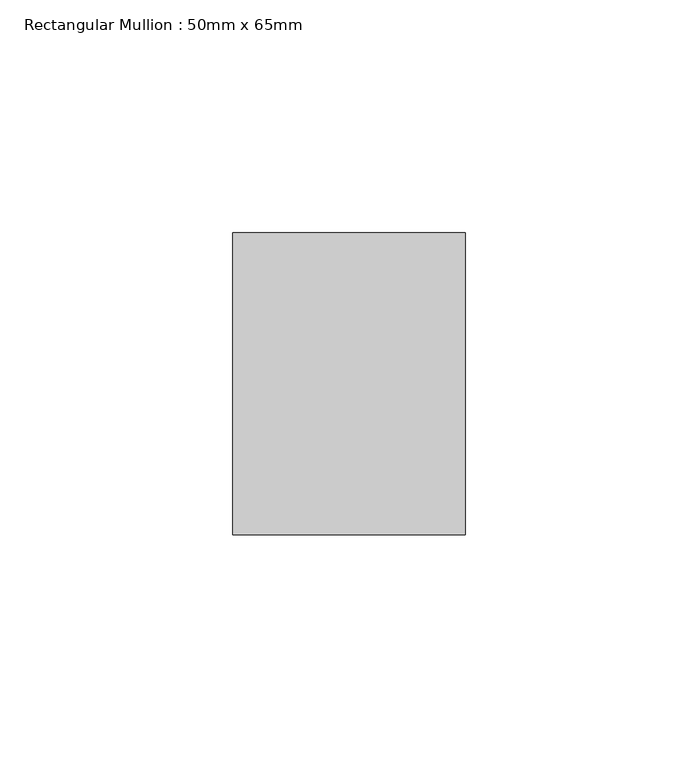
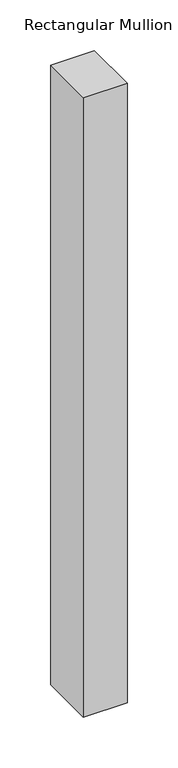
"""IFC4 building model written with IfcOpenShell, lengths in millimetres: member geometry, Rectangular Mullion : 50mm x 65mm."""

import ifcopenshell
import ifcopenshell.guid

model = None  # the IFC model being written
_history = None  # IfcOwnerHistory: only IFC2X3 demands one
_inside = {}  # id of a spatial element -> (the spatial element, [elements in it])
_under = {}  # id of a project, library or spatial element -> (it, [spatial elements below it])
_declared = {}  # id of a project -> (the project, [libraries it declares])
_typed = {}  # id of a type object -> (the type object, [elements of that type])
_made_of = {}  # id of a material, layer set ... -> (it, [elements and type objects made of it])


def new_model(schema):
    """Start an empty IFC model of exactly this schema.

    Asked for "IFC4X3", IfcOpenShell would pick the latest addendum, in which some entities
    have other attributes; the version numbers below select the first issue.
    IFC2X3 requires an IfcOwnerHistory on every rooted entity: one is made here for all.
    """
    global model, _history
    if schema == "IFC4X3":
        model = ifcopenshell.file(schema_version=(4, 3, 0, 0))
    else:
        model = ifcopenshell.file(schema=schema)
    _inside.clear()
    _under.clear()
    _declared.clear()
    _typed.clear()
    _made_of.clear()
    _history = None
    if model.schema == "IFC2X3":
        org = make("IfcOrganization", Name="unknown")
        user = make(
            "IfcPersonAndOrganization",
            ThePerson=make("IfcPerson", FamilyName="unknown"),
            TheOrganization=org,
        )
        app = make(
            "IfcApplication",
            ApplicationDeveloper=org,
            Version="unknown",
            ApplicationFullName="unknown",
            ApplicationIdentifier="unknown",
        )
        _history = make(
            "IfcOwnerHistory",
            OwningUser=user,
            OwningApplication=app,
            ChangeAction="ADDED",
            CreationDate=0,
        )
    return model


def make(cls, **values):
    """One entity of the class cls with the attributes given. An attribute that is None is left unset."""
    return model.create_entity(
        cls, **{name: value for name, value in values.items() if value is not None}
    )


def rooted(cls, **values):
    """An entity with a GlobalId (a new one), such as an element, a storey or a relation."""
    return make(cls, GlobalId=ifcopenshell.guid.new(), OwnerHistory=_history, **values)


def si_unit(unit_type, name, prefix=None):
    """IfcSIUnit, for example si_unit("LENGTHUNIT", "METRE", prefix="MILLI")."""
    return make("IfcSIUnit", UnitType=unit_type, Prefix=prefix, Name=name)


def assignment(units):
    """IfcUnitAssignment: the units of a project."""
    return None if units is None else make("IfcUnitAssignment", Units=units)


def point(xyz):
    """IfcCartesianPoint."""
    return None if xyz is None else make("IfcCartesianPoint", Coordinates=xyz)


def direction(xyz):
    """IfcDirection."""
    return None if xyz is None else make("IfcDirection", DirectionRatios=xyz)


def frame(location, z_axis=None, x_axis=None):
    """IfcAxis2Placement3D, a coordinate frame: its origin and axes. An axis left out is left unset."""
    return make(
        "IfcAxis2Placement3D",
        Location=point(location),
        Axis=direction(z_axis),
        RefDirection=direction(x_axis),
    )


def origin():
    """The frame at (0, 0, 0) with its axes left unset."""
    return frame((0.0, 0.0, 0.0))


def place(relative_to, where):
    """IfcLocalPlacement: puts the frame where relative to a parent placement (None: the world)."""
    return make(
        "IfcLocalPlacement", PlacementRelTo=relative_to, RelativePlacement=where
    )


def context(
    kind, dimensions, precision=None, world=None, true_north=None, identifier=None
):
    """IfcGeometricRepresentationContext, for example the 3D "Model" context."""
    return make(
        "IfcGeometricRepresentationContext",
        ContextIdentifier=identifier,
        ContextType=kind,
        CoordinateSpaceDimension=dimensions,
        Precision=precision,
        WorldCoordinateSystem=world,
        TrueNorth=true_north,
    )


def project(units=None, contexts=None):
    """IfcProject with its units and contexts."""
    return rooted(
        "IfcProject",
        Name="project",
        RepresentationContexts=contexts,
        UnitsInContext=assignment(units),
    )


def spatial(cls, under=None, at=None, **own):
    """A site, building, storey or space (cls), placed at a placement, below another one or the project."""
    s = rooted(cls, ObjectPlacement=at, **own)
    if under is not None:
        _under.setdefault(under.id(), (under, []))[1].append(s)
    return s


def polyline(points):
    """IfcPolyline through the points."""
    return make("IfcPolyline", Points=[point(p) for p in points])


def outline(outer, holes=None, kind="AREA"):
    """IfcArbitraryClosedProfileDef: a profile drawn as a closed curve; with holes, ...WithVoids."""
    if holes is None:
        return make("IfcArbitraryClosedProfileDef", ProfileType=kind, OuterCurve=outer)
    return make(
        "IfcArbitraryProfileDefWithVoids",
        ProfileType=kind,
        OuterCurve=outer,
        InnerCurves=holes,
    )


def extrude(swept, where, along, depth):
    """IfcExtrudedAreaSolid: the profile swept, set in the frame where, extruded along a direction by depth."""
    return make(
        "IfcExtrudedAreaSolid",
        SweptArea=swept,
        Position=where,
        ExtrudedDirection=direction(along),
        Depth=depth,
    )


def shape(context_of_items, identifier, shape_type, items):
    """IfcShapeRepresentation: the items that make up one representation, for example the "Body"."""
    return make(
        "IfcShapeRepresentation",
        ContextOfItems=context_of_items,
        RepresentationIdentifier=identifier,
        RepresentationType=shape_type,
        Items=items,
    )


def source(mapping_origin, context_of_items, identifier, shape_type, items):
    """IfcRepresentationMap: a shape defined once, which mapped items show again and again."""
    return make(
        "IfcRepresentationMap",
        MappingOrigin=mapping_origin,
        MappedRepresentation=shape(context_of_items, identifier, shape_type, items),
    )


def transform(
    local_origin,
    x_axis=None,
    y_axis=None,
    z_axis=None,
    scale=None,
    scale2=None,
    scale3=None,
    uniform=True,
):
    """IfcCartesianTransformationOperator3D, or its non-uniform kind. x_axis, y_axis, z_axis: its Axis1, 2, 3."""
    if uniform:
        return make(
            "IfcCartesianTransformationOperator3D",
            Axis1=direction(x_axis),
            Axis2=direction(y_axis),
            LocalOrigin=point(local_origin),
            Scale=scale,
            Axis3=direction(z_axis),
        )
    return make(
        "IfcCartesianTransformationOperator3DnonUniform",
        Axis1=direction(x_axis),
        Axis2=direction(y_axis),
        LocalOrigin=point(local_origin),
        Scale=scale,
        Axis3=direction(z_axis),
        Scale2=scale2,
        Scale3=scale3,
    )


def mapped(mapping_source, mapping_target):
    """IfcMappedItem: shows the shape of a source again, moved by a transform."""
    return make(
        "IfcMappedItem", MappingSource=mapping_source, MappingTarget=mapping_target
    )


def made_of(thing, what):
    """Note that an element or type object is made of a material, layer set ...; save() writes the relation."""
    if what is not None:
        _made_of.setdefault(what.id(), (what, []))[1].append(thing)
    return thing


def element(
    cls,
    number,
    at=None,
    inside=None,
    cuts=None,
    type_object=None,
    material=None,
    context=None,
    identifier="Body",
    shape_type=None,
    held_by="IfcProductDefinitionShape",
    body=None,
    shapes=None,
    **own,
):
    """One element of the class cls, such as IfcWall. Its Tag is "e" and its number.

    at: its placement. inside: the storey or other place that contains it. cuts: it is an
    opening in that element (IfcRelVoidsElement). A single representation is given by context,
    identifier, shape_type and body (its items); several are given by shapes. held_by: the class
    of the entity that holds the representations. save() writes the other relations.
    """
    e = rooted(cls, Tag="e%d" % number, ObjectPlacement=at, **own)
    if body is not None:
        shapes = [shape(context, identifier, shape_type, body)]
    if shapes is not None:
        e.Representation = make(held_by, Representations=shapes)
    if inside is not None:
        _inside.setdefault(inside.id(), (inside, []))[1].append(e)
    if cuts is not None:
        rooted(
            "IfcRelVoidsElement", RelatingBuildingElement=cuts, RelatedOpeningElement=e
        )
    if type_object is not None:
        _typed.setdefault(type_object.id(), (type_object, []))[1].append(e)
    return made_of(e, material)


def aggregate(whole, parts):
    """IfcRelAggregates: a whole, such as a stair, and the parts it consists of."""
    return rooted("IfcRelAggregates", RelatingObject=whole, RelatedObjects=parts)


def save(model, path):
    """Write the relations noted so far, then the file.

    IfcRelAggregates (storeys below a building ...), IfcRelContainedInSpatialStructure (elements
    in a storey), IfcRelDefinesByType, IfcRelAssociatesMaterial and IfcRelDeclares: one each for
    every whole, place, type object, material and project.
    """
    for whole, parts in _under.values():
        aggregate(whole, parts)
    for where, things in _inside.values():
        rooted(
            "IfcRelContainedInSpatialStructure",
            RelatedElements=things,
            RelatingStructure=where,
        )
    for kind, things in _typed.values():
        rooted("IfcRelDefinesByType", RelatedObjects=things, RelatingType=kind)
    for what, things in _made_of.values():
        rooted("IfcRelAssociatesMaterial", RelatedObjects=things, RelatingMaterial=what)
    for by, libraries in _declared.values():
        rooted("IfcRelDeclares", RelatingContext=by, RelatedDefinitions=libraries)
    model.write(path)


def rectangular_mullion_50mm_x_65mm_6ccfefa2(model_context):
    return source(origin(), model_context, "Body", "SweptSolid", [
        extrude(outline(polyline([(25.0, 32.5), (25.0, -32.5), (-25.0, -32.5), (-25.0, 32.5), (25.0, 32.5)])), frame((0.0, 0.0, -748.3580622), z_axis=(0.0, 0.0, 1.0), x_axis=(1.0, 0.0, 0.0)), (0.0, 0.0, 1.0), 748.3580622),
    ])


if __name__ == "__main__":
    model = new_model("IFC4")
    model_context = context("Model", 3, world=origin())
    ifc_project = project(units=[si_unit("LENGTHUNIT", "METRE", prefix="MILLI")], contexts=[model_context])
    site = spatial("IfcSite", under=ifc_project)
    building = spatial("IfcBuilding", under=site)
    placement = place(None, origin())
    rectangular_mullion_50mm_x_65mm_shape = rectangular_mullion_50mm_x_65mm_6ccfefa2(model_context)
    element("IfcMember", 1, ObjectType="Rectangular Mullion : 50mm x 65mm", at=placement, inside=building, context=model_context, shape_type="MappedRepresentation", body=[
        mapped(rectangular_mullion_50mm_x_65mm_shape, transform((0.0, 0.0, 0.0), x_axis=(1.0, 0.0, 0.0), y_axis=(0.0, 1.0, 0.0), z_axis=(0.0, 0.0, 1.0))),
    ])
    save(model, "model.ifc")
